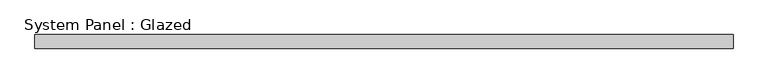
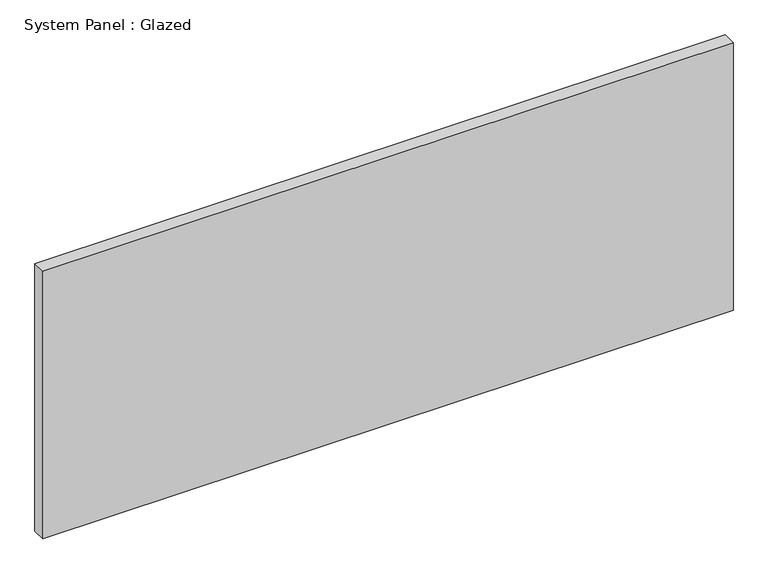
"""IFC4 building model written with IfcOpenShell, lengths in millimetres: plate geometry, System Panel : Glazed."""

from ifc_helpers import new_model, si_unit, origin, origin_with_axes, place, context, project, spatial, polyline, outline, extrude, source, transform, mapped, element, save


def system_panel_glazed_b5d06536(model_context):
    return source(origin(), model_context, "Body", "SweptSolid", [
        extrude(outline(polyline([(640.625, 24.5), (-640.625, 24.5), (-640.625, 49.5), (640.625, 49.5), (640.625, 24.5)])), origin_with_axes(), (0.0, 0.0, 1.0), 525.0),
    ])


if __name__ == "__main__":
    model = new_model("IFC4")
    model_context = context("Model", 3, world=origin())
    ifc_project = project(units=[si_unit("LENGTHUNIT", "METRE", prefix="MILLI")], contexts=[model_context])
    site = spatial("IfcSite", under=ifc_project)
    building = spatial("IfcBuilding", under=site)
    placement = place(None, origin())
    system_panel_glazed_shape = system_panel_glazed_b5d06536(model_context)
    element("IfcPlate", 1, ObjectType="System Panel : Glazed", at=placement, inside=building, context=model_context, shape_type="MappedRepresentation", body=[
        mapped(system_panel_glazed_shape, transform((0.0, 0.0, 0.0), x_axis=(1.0, 0.0, 0.0), y_axis=(0.0, 1.0, 0.0), z_axis=(0.0, 0.0, 1.0))),
    ])
    save(model, "model.ifc")
